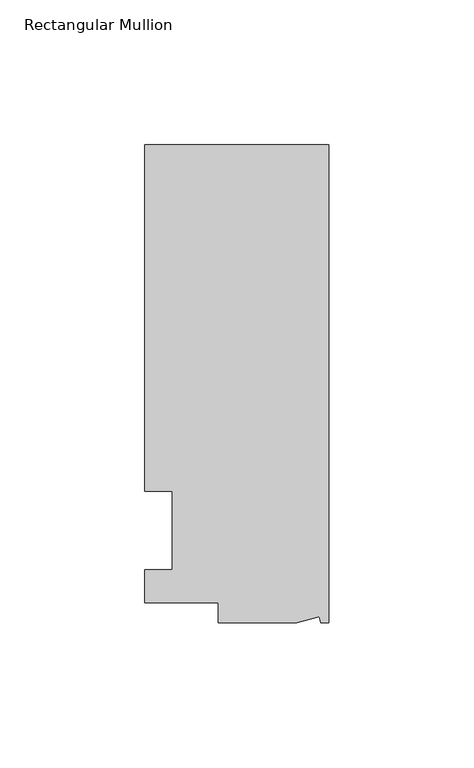
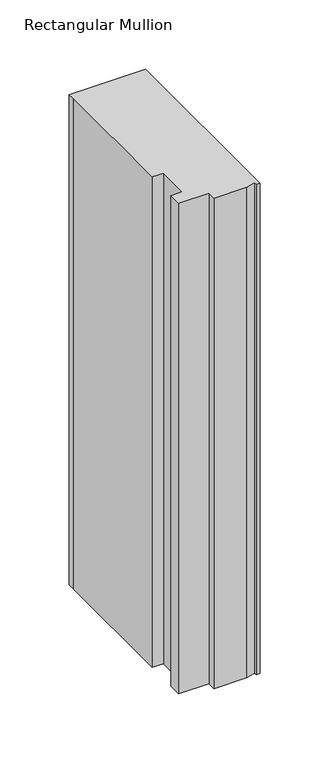
"""IFC4 building model written with IfcOpenShell, lengths in millimetres: member geometry, Rectangular Mullion."""

from ifc_helpers import new_model, si_unit, frame, origin, place, context, project, spatial, polyline, outline, extrude, source, transform, mapped, element, save


def rectangular_mullion_42a1b536(model_context):
    return source(origin(), model_context, "Body", "SweptSolid", [
        extrude(outline(polyline([(0.0, 131.0674452), (0.0, -34.0325548), (-2.7630634, -34.0325548), (-3.3223696, -31.9451957), (-11.1125, -34.0325548), (-38.1, -34.0325548), (-38.1, -27.0729548), (-63.5, -27.0729548), (-63.5, -15.6924375), (-53.975, -15.6924375), (-53.975, 11.3942812), (-63.5, 11.3942812), (-63.5, 124.7174452), (-63.5, 131.0674452), (0.0, 131.0674452)])), frame((0.0, 0.0, -431.8), z_axis=(0.0, 0.0, 1.0), x_axis=(1.0, 0.0, 0.0)), (0.0, 0.0, 1.0), 431.8),
    ])


if __name__ == "__main__":
    model = new_model("IFC4")
    model_context = context("Model", 3, world=origin())
    ifc_project = project(units=[si_unit("LENGTHUNIT", "METRE", prefix="MILLI")], contexts=[model_context])
    site = spatial("IfcSite", under=ifc_project)
    building = spatial("IfcBuilding", under=site)
    placement = place(None, origin())
    rectangular_mullion_shape = rectangular_mullion_42a1b536(model_context)
    element("IfcMember", 1, ObjectType="Rectangular Mullion", at=placement, inside=building, context=model_context, shape_type="MappedRepresentation", body=[
        mapped(rectangular_mullion_shape, transform((0.0, 0.0, 0.0), x_axis=(1.0, 0.0, 0.0), y_axis=(0.0, 1.0, 0.0), z_axis=(0.0, 0.0, 1.0))),
    ])
    save(model, "model.ifc")
